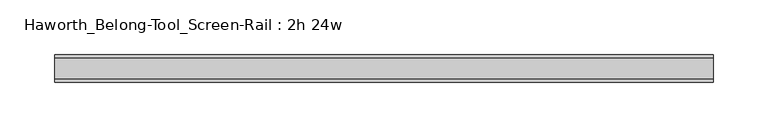
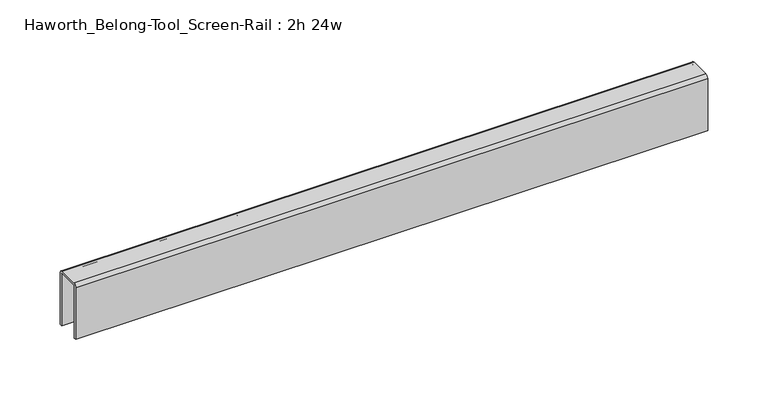
"""IFC4 building model written with IfcOpenShell, lengths in millimetres: furniture geometry, Haworth_Belong-Tool_Screen-Rail : 2h 24w."""

from ifc_helpers import new_model, si_unit, point, frame, frame_2d, origin, place, context, project, spatial, polyline, circle_curve, trimmed, segment, composite_curve, outline, extrude, source, transform, mapped, element, save


def haworth_belong_tool_screen_rail_2h_24w_61b9d732(model_context):
    return source(origin(), model_context, "Body", "SweptSolid", [
        extrude(outline(composite_curve([segment(trimmed(circle_curve(frame_2d((9.525, 865.1875)), 3.175), [point((9.525, 868.3625))], [point((12.7, 865.1875))], False, "CARTESIAN"), True, "CONTINUOUS"), segment(polyline([(12.7, 865.1875), (12.7, 812.8), (10.31875, 812.8), (10.31875, 865.1875)]), True, "CONTINUOUS"), segment(trimmed(circle_curve(frame_2d((9.525, 865.1875)), 0.79375), [point((10.31875, 865.1875))], [point((9.525, 865.98125))], True, "CARTESIAN"), True, "CONTINUOUS"), segment(polyline([(9.525, 865.98125), (-9.525, 865.98125)]), True, "CONTINUOUS"), segment(trimmed(circle_curve(frame_2d((-9.525, 865.1875)), 0.79375), [point((-9.525, 865.98125))], [point((-10.31875, 865.1875))], True, "CARTESIAN"), True, "CONTINUOUS"), segment(polyline([(-10.31875, 865.1875), (-10.31875, 812.8), (-12.7, 812.8), (-12.7, 865.1875)]), True, "CONTINUOUS"), segment(trimmed(circle_curve(frame_2d((-9.525, 865.1875)), 3.175), [point((-12.7, 865.1875))], [point((-9.525, 868.3625))], False, "CARTESIAN"), True, "CONTINUOUS"), segment(polyline([(-9.525, 868.3625), (9.525, 868.3625)]), True, "CONTINUOUS")], self_intersect=False)), frame((-301.625, 0.0, 0.0), z_axis=(1.0, 0.0, 0.0), x_axis=(0.0, 1.0, 0.0)), (0.0, 0.0, 1.0), 603.25),
    ])


if __name__ == "__main__":
    model = new_model("IFC4")
    model_context = context("Model", 3, world=origin())
    ifc_project = project(units=[si_unit("LENGTHUNIT", "METRE", prefix="MILLI")], contexts=[model_context])
    site = spatial("IfcSite", under=ifc_project)
    building = spatial("IfcBuilding", under=site)
    placement = place(None, origin())
    haworth_belong_tool_screen_rail_2h_24w_shape = haworth_belong_tool_screen_rail_2h_24w_61b9d732(model_context)
    element("IfcFurniture", 1, ObjectType="Haworth_Belong-Tool_Screen-Rail : 2h 24w", at=placement, inside=building, context=model_context, shape_type="MappedRepresentation", body=[
        mapped(haworth_belong_tool_screen_rail_2h_24w_shape, transform((0.0, 0.0, 0.0), x_axis=(1.0, 0.0, 0.0), y_axis=(0.0, 1.0, 0.0), z_axis=(0.0, 0.0, 1.0))),
    ])
    save(model, "model.ifc")
